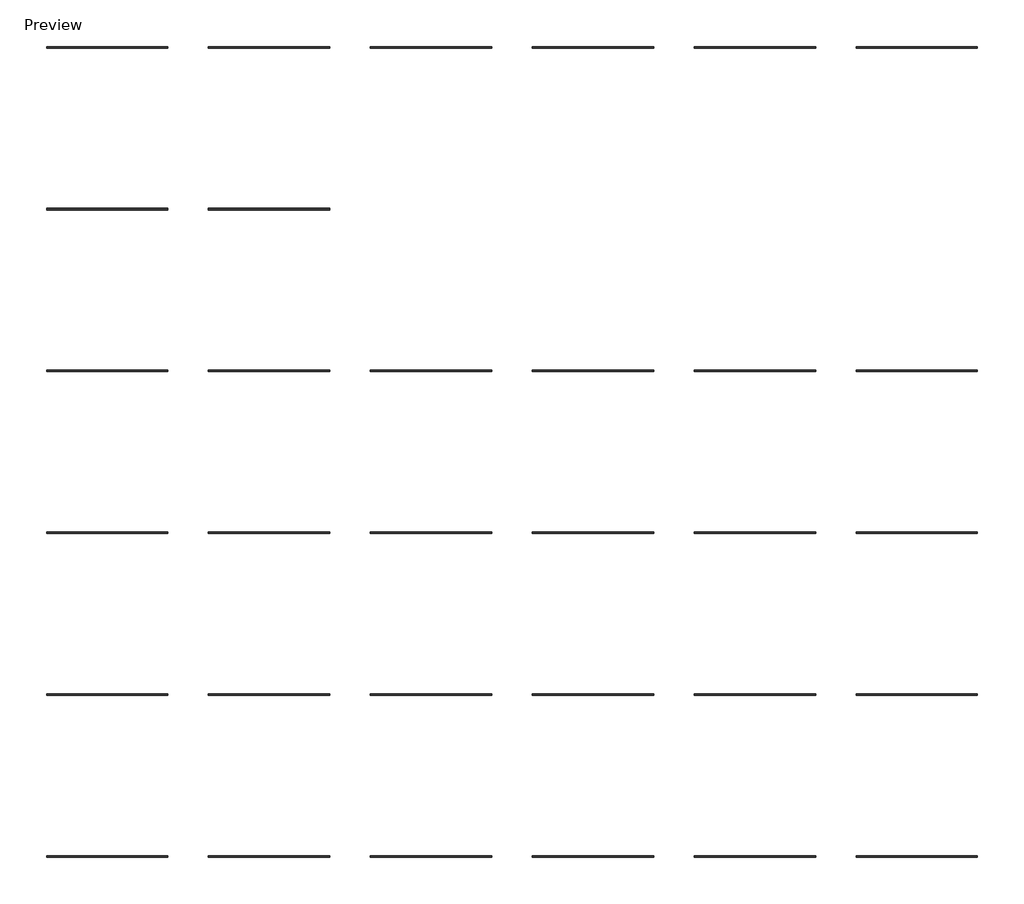
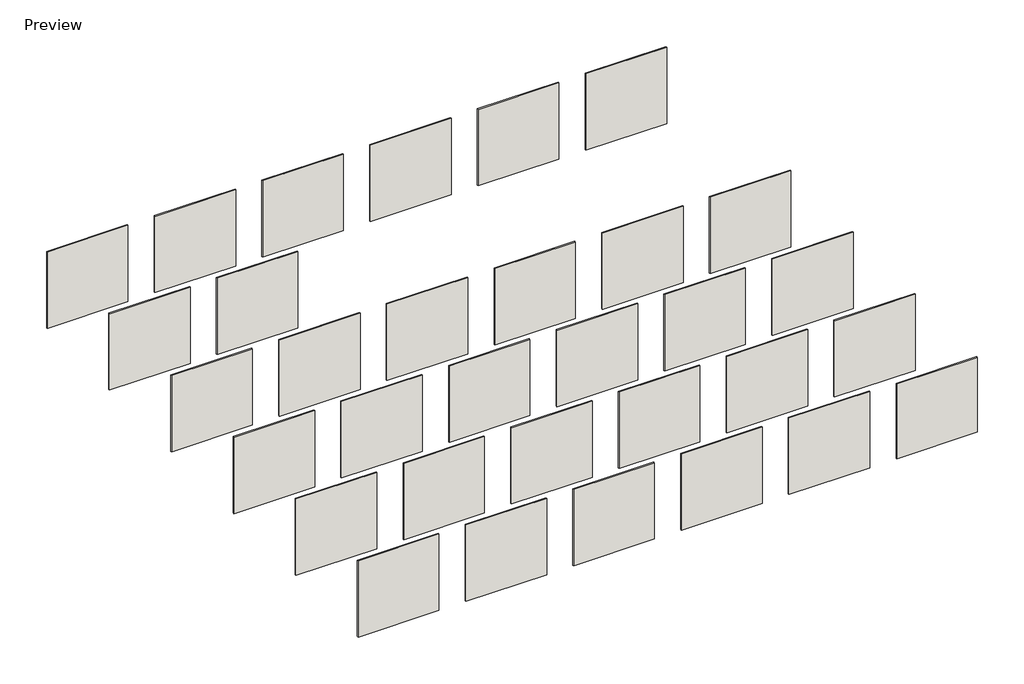
# One storey: 32 walls.
"""IFC4 building model written with IfcOpenShell, lengths in millimetres."""

from ifc_helpers import new_model, si_unit, frame, origin, origin_with_axes, place, context, project, spatial, polyline, outline, extrude, element, save

model = new_model("IFC4")

# Units and contexts
model_context = context("Model", 3, world=origin())
ifc_project = project(units=[si_unit("LENGTHUNIT", "METRE", prefix="MILLI")], contexts=[model_context])

# Site, building, storey
site = spatial("IfcSite", under=ifc_project)
building = spatial("IfcBuilding", under=site)
storey = spatial("IfcBuildingStorey", under=building, Name="Preview", Elevation=0.0)

# Walls
placement = place(None, origin())
element("IfcWall", 1, at=placement, inside=storey, context=model_context, shape_type="SweptSolid", body=[
    extrude(outline(polyline([(-18839.3718391, 8535.7201131), (-20668.1718391, 8535.7201131), (-20668.1718391, 8559.5326131), (-18839.3718391, 8559.5326131), (-18839.3718391, 8535.7201131)])), origin_with_axes(), (0.0, 0.0, 1.0), 1828.8),
])
element("IfcWall", 2, at=placement, inside=storey, context=model_context, shape_type="SweptSolid", body=[
    extrude(outline(polyline([(-16400.9718391, 8535.7201131), (-18229.7718391, 8535.7201131), (-18229.7718391, 8559.5326131), (-16400.9718391, 8559.5326131), (-16400.9718391, 8535.7201131)])), origin_with_axes(), (0.0, 0.0, 1.0), 1828.8),
])
element("IfcWall", 3, at=placement, inside=storey, context=model_context, shape_type="SweptSolid", body=[
    extrude(outline(polyline([(-13962.5718391, 8535.7201131), (-15791.3718391, 8535.7201131), (-15791.3718391, 8559.5326131), (-13962.5718391, 8559.5326131), (-13962.5718391, 8535.7201131)])), origin_with_axes(), (0.0, 0.0, 1.0), 1828.8),
])
element("IfcWall", 4, at=placement, inside=storey, context=model_context, shape_type="SweptSolid", body=[
    extrude(outline(polyline([(-11524.1718391, 8535.7201131), (-13352.9718391, 8535.7201131), (-13352.9718391, 8559.5326131), (-11524.1718391, 8559.5326131), (-11524.1718391, 8535.7201131)])), origin_with_axes(), (0.0, 0.0, 1.0), 1828.8),
])
element("IfcWall", 5, at=placement, inside=storey, context=model_context, shape_type="SweptSolid", body=[
    extrude(outline(polyline([(-9085.7718391, 8535.7201131), (-10914.5718391, 8535.7201131), (-10914.5718391, 8559.5326131), (-9085.7718391, 8559.5326131), (-9085.7718391, 8535.7201131)])), origin_with_axes(), (0.0, 0.0, 1.0), 1828.8),
])
element("IfcWall", 6, at=placement, inside=storey, context=model_context, shape_type="SweptSolid", body=[
    extrude(outline(polyline([(-6647.3718391, 8535.7201131), (-8476.1718391, 8535.7201131), (-8476.1718391, 8559.5326131), (-6647.3718391, 8559.5326131), (-6647.3718391, 8535.7201131)])), origin_with_axes(), (0.0, 0.0, 1.0), 1828.8),
])
element("IfcWall", 7, at=placement, inside=storey, context=model_context, shape_type="SweptSolid", body=[
    extrude(outline(polyline([(-18839.3718391, 6097.3201131), (-20668.1718391, 6097.3201131), (-20668.1718391, 6121.1326131), (-18839.3718391, 6121.1326131), (-18839.3718391, 6097.3201131)])), origin_with_axes(), (0.0, 0.0, 1.0), 1828.8),
])
element("IfcWall", 8, at=placement, inside=storey, context=model_context, shape_type="SweptSolid", body=[
    extrude(outline(polyline([(-16400.9718391, 6097.3201131), (-18229.7718391, 6097.3201131), (-18229.7718391, 6121.1326131), (-16400.9718391, 6121.1326131), (-16400.9718391, 6097.3201131)])), origin_with_axes(), (0.0, 0.0, 1.0), 1828.8),
])
element("IfcWall", 9, at=placement, inside=storey, context=model_context, shape_type="SweptSolid", body=[
    extrude(outline(polyline([(-13962.5718391, 6097.3201131), (-15791.3718391, 6097.3201131), (-15791.3718391, 6121.1326131), (-13962.5718391, 6121.1326131), (-13962.5718391, 6097.3201131)])), origin_with_axes(), (0.0, 0.0, 1.0), 1828.8),
])
element("IfcWall", 10, at=placement, inside=storey, context=model_context, shape_type="SweptSolid", body=[
    extrude(outline(polyline([(-11524.1718391, 6097.3201131), (-13352.9718391, 6097.3201131), (-13352.9718391, 6121.1326131), (-11524.1718391, 6121.1326131), (-11524.1718391, 6097.3201131)])), origin_with_axes(), (0.0, 0.0, 1.0), 1828.8),
])
element("IfcWall", 11, at=placement, inside=storey, context=model_context, shape_type="SweptSolid", body=[
    extrude(outline(polyline([(-9085.7718391, 6097.3201131), (-10914.5718391, 6097.3201131), (-10914.5718391, 6121.1326131), (-9085.7718391, 6121.1326131), (-9085.7718391, 6097.3201131)])), origin_with_axes(), (0.0, 0.0, 1.0), 1828.8),
])
element("IfcWall", 12, at=placement, inside=storey, context=model_context, shape_type="SweptSolid", body=[
    extrude(outline(polyline([(-6647.3718391, 6097.3201131), (-8476.1718391, 6097.3201131), (-8476.1718391, 6121.1326131), (-6647.3718391, 6121.1326131), (-6647.3718391, 6097.3201131)])), origin_with_axes(), (0.0, 0.0, 1.0), 1793.6354952),
])
element("IfcWall", 13, at=placement, inside=storey, context=model_context, shape_type="SweptSolid", body=[
    extrude(outline(polyline([(-18839.3718391, 10974.1201131), (-20668.1718391, 10974.1201131), (-20668.1718391, 10997.9326131), (-18839.3718391, 10997.9326131), (-18839.3718391, 10974.1201131)])), origin_with_axes(), (0.0, 0.0, 1.0), 1828.8),
])
element("IfcWall", 14, at=placement, inside=storey, context=model_context, shape_type="SweptSolid", body=[
    extrude(outline(polyline([(-16400.9718391, 10974.1201131), (-18229.7718391, 10974.1201131), (-18229.7718391, 10997.9326131), (-16400.9718391, 10997.9326131), (-16400.9718391, 10974.1201131)])), origin_with_axes(), (0.0, 0.0, 1.0), 1828.8),
])
element("IfcWall", 15, at=placement, inside=storey, context=model_context, shape_type="SweptSolid", body=[
    extrude(outline(polyline([(-13962.5718391, 10974.1201131), (-15791.3718391, 10974.1201131), (-15791.3718391, 10997.9326131), (-13962.5718391, 10997.9326131), (-13962.5718391, 10974.1201131)])), origin_with_axes(), (0.0, 0.0, 1.0), 1828.8),
])
element("IfcWall", 16, at=placement, inside=storey, context=model_context, shape_type="SweptSolid", body=[
    extrude(outline(polyline([(-11524.1718391, 10974.1201131), (-13352.9718391, 10974.1201131), (-13352.9718391, 10997.9326131), (-11524.1718391, 10997.9326131), (-11524.1718391, 10974.1201131)])), origin_with_axes(), (0.0, 0.0, 1.0), 1828.8),
])
element("IfcWall", 17, at=placement, inside=storey, context=model_context, shape_type="SweptSolid", body=[
    extrude(outline(polyline([(-9085.7718391, 10974.1201131), (-10914.5718391, 10974.1201131), (-10914.5718391, 10997.9326131), (-9085.7718391, 10997.9326131), (-9085.7718391, 10974.1201131)])), origin_with_axes(), (0.0, 0.0, 1.0), 1828.8),
])
element("IfcWall", 18, at=placement, inside=storey, context=model_context, shape_type="SweptSolid", body=[
    extrude(outline(polyline([(-6647.3718391, 10974.1201131), (-8476.1718391, 10974.1201131), (-8476.1718391, 10997.9326131), (-6647.3718391, 10997.9326131), (-6647.3718391, 10974.1201131)])), origin_with_axes(), (0.0, 0.0, 1.0), 1828.8),
])
element("IfcWall", 19, at=placement, inside=storey, context=model_context, shape_type="SweptSolid", body=[
    extrude(outline(polyline([(-18839.3718391, 13412.5201131), (-20668.1718391, 13412.5201131), (-20668.1718391, 13436.3326131), (-18839.3718391, 13436.3326131), (-18839.3718391, 13412.5201131)])), origin_with_axes(), (0.0, 0.0, 1.0), 1828.8),
])
element("IfcWall", 20, at=placement, inside=storey, context=model_context, shape_type="SweptSolid", body=[
    extrude(outline(polyline([(-16400.9718391, 13412.5201131), (-18229.7718391, 13412.5201131), (-18229.7718391, 13436.3326131), (-16400.9718391, 13436.3326131), (-16400.9718391, 13412.5201131)])), origin_with_axes(), (0.0, 0.0, 1.0), 1828.8),
])
element("IfcWall", 21, at=placement, inside=storey, context=model_context, shape_type="SweptSolid", body=[
    extrude(outline(polyline([(-13962.5718391, 13412.5201131), (-15791.3718391, 13412.5201131), (-15791.3718391, 13436.3326131), (-13962.5718391, 13436.3326131), (-13962.5718391, 13412.5201131)])), origin_with_axes(), (0.0, 0.0, 1.0), 1828.8),
])
element("IfcWall", 22, at=placement, inside=storey, context=model_context, shape_type="SweptSolid", body=[
    extrude(outline(polyline([(-11524.1718391, 13412.5201131), (-13352.9718391, 13412.5201131), (-13352.9718391, 13436.3326131), (-11524.1718391, 13436.3326131), (-11524.1718391, 13412.5201131)])), frame((0.0, 0.0, -5.2424975), z_axis=(0.0, 0.0, 1.0), x_axis=(1.0, 0.0, 0.0)), (0.0, 0.0, 1.0), 1834.0424975),
])
element("IfcWall", 23, at=placement, inside=storey, context=model_context, shape_type="SweptSolid", body=[
    extrude(outline(polyline([(-9085.7718391, 13412.5201131), (-10914.5718391, 13412.5201131), (-10914.5718391, 13436.3326131), (-9085.7718391, 13436.3326131), (-9085.7718391, 13412.5201131)])), origin_with_axes(), (0.0, 0.0, 1.0), 1828.8),
])
element("IfcWall", 24, at=placement, inside=storey, context=model_context, shape_type="SweptSolid", body=[
    extrude(outline(polyline([(-6647.3718391, 13412.5201131), (-8476.1718391, 13412.5201131), (-8476.1718391, 13436.3326131), (-6647.3718391, 13436.3326131), (-6647.3718391, 13412.5201131)])), origin_with_axes(), (0.0, 0.0, 1.0), 1828.8),
])
element("IfcWall", 25, at=placement, inside=storey, context=model_context, shape_type="SweptSolid", body=[
    extrude(outline(polyline([(-18839.3718391, 15850.9201131), (-20668.1718391, 15850.9201131), (-20668.1718391, 15874.7326131), (-18839.3718391, 15874.7326131), (-18839.3718391, 15850.9201131)])), origin_with_axes(), (0.0, 0.0, 1.0), 1828.8),
])
element("IfcWall", 26, at=placement, inside=storey, context=model_context, shape_type="SweptSolid", body=[
    extrude(outline(polyline([(-16400.9718391, 15850.9201131), (-18229.7718391, 15850.9201131), (-18229.7718391, 15874.7326131), (-16400.9718391, 15874.7326131), (-16400.9718391, 15850.9201131)])), origin_with_axes(), (0.0, 0.0, 1.0), 1828.8),
])
element("IfcWall", 27, at=placement, inside=storey, context=model_context, shape_type="SweptSolid", body=[
    extrude(outline(polyline([(-13962.5718391, 18289.3201131), (-15791.3718391, 18289.3201131), (-15791.3718391, 18313.1326131), (-13962.5718391, 18313.1326131), (-13962.5718391, 18289.3201131)])), origin_with_axes(), (0.0, 0.0, 1.0), 1828.8),
])
element("IfcWall", 28, at=placement, inside=storey, context=model_context, shape_type="SweptSolid", body=[
    extrude(outline(polyline([(-11524.1718391, 18289.3201131), (-13352.9718391, 18289.3201131), (-13352.9718391, 18313.1326131), (-11524.1718391, 18313.1326131), (-11524.1718391, 18289.3201131)])), origin_with_axes(), (0.0, 0.0, 1.0), 1828.8),
])
element("IfcWall", 29, at=placement, inside=storey, context=model_context, shape_type="SweptSolid", body=[
    extrude(outline(polyline([(-9085.7718391, 18289.3201131), (-10914.5718391, 18289.3201131), (-10914.5718391, 18313.1326131), (-9085.7718391, 18313.1326131), (-9085.7718391, 18289.3201131)])), origin_with_axes(), (0.0, 0.0, 1.0), 1828.8),
])
element("IfcWall", 30, at=placement, inside=storey, context=model_context, shape_type="SweptSolid", body=[
    extrude(outline(polyline([(-18839.3718391, 18289.3201131), (-20668.1718391, 18289.3201131), (-20668.1718391, 18313.1326131), (-18839.3718391, 18313.1326131), (-18839.3718391, 18289.3201131)])), origin_with_axes(), (0.0, 0.0, 1.0), 1828.8),
])
element("IfcWall", 31, at=placement, inside=storey, context=model_context, shape_type="SweptSolid", body=[
    extrude(outline(polyline([(-16400.9718391, 18289.3201131), (-18229.7718391, 18289.3201131), (-18229.7718391, 18313.1326131), (-16400.9718391, 18313.1326131), (-16400.9718391, 18289.3201131)])), origin_with_axes(), (0.0, 0.0, 1.0), 1828.8),
])
element("IfcWall", 32, at=placement, inside=storey, context=model_context, shape_type="SweptSolid", body=[
    extrude(outline(polyline([(-6647.3718391, 18289.3201131), (-8476.1718391, 18289.3201131), (-8476.1718391, 18313.1326131), (-6647.3718391, 18313.1326131), (-6647.3718391, 18289.3201131)])), origin_with_axes(), (0.0, 0.0, 1.0), 1828.8),
])

save(model, "model.ifc")
